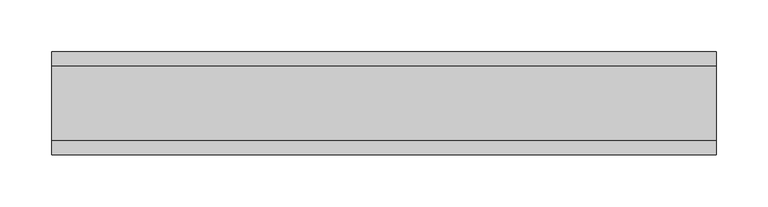
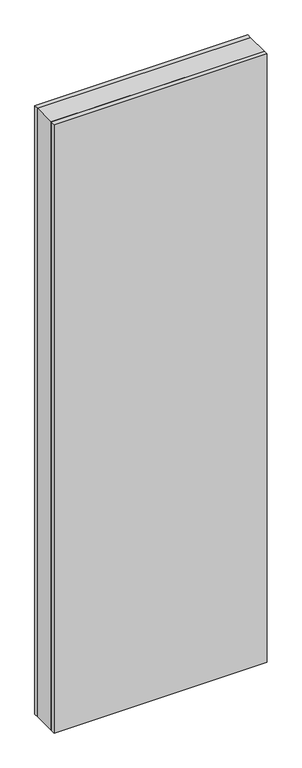
"""IFC4 building model written with IfcOpenShell, lengths in millimetres: plate geometry."""

import ifcopenshell
import ifcopenshell.guid

model = None  # the IFC model being written
_history = None  # IfcOwnerHistory: only IFC2X3 demands one
_inside = {}  # id of a spatial element -> (the spatial element, [elements in it])
_under = {}  # id of a project, library or spatial element -> (it, [spatial elements below it])
_declared = {}  # id of a project -> (the project, [libraries it declares])
_typed = {}  # id of a type object -> (the type object, [elements of that type])
_made_of = {}  # id of a material, layer set ... -> (it, [elements and type objects made of it])


def new_model(schema):
    """Start an empty IFC model of exactly this schema.

    Asked for "IFC4X3", IfcOpenShell would pick the latest addendum, in which some entities
    have other attributes; the version numbers below select the first issue.
    IFC2X3 requires an IfcOwnerHistory on every rooted entity: one is made here for all.
    """
    global model, _history
    if schema == "IFC4X3":
        model = ifcopenshell.file(schema_version=(4, 3, 0, 0))
    else:
        model = ifcopenshell.file(schema=schema)
    _inside.clear()
    _under.clear()
    _declared.clear()
    _typed.clear()
    _made_of.clear()
    _history = None
    if model.schema == "IFC2X3":
        org = make("IfcOrganization", Name="unknown")
        user = make(
            "IfcPersonAndOrganization",
            ThePerson=make("IfcPerson", FamilyName="unknown"),
            TheOrganization=org,
        )
        app = make(
            "IfcApplication",
            ApplicationDeveloper=org,
            Version="unknown",
            ApplicationFullName="unknown",
            ApplicationIdentifier="unknown",
        )
        _history = make(
            "IfcOwnerHistory",
            OwningUser=user,
            OwningApplication=app,
            ChangeAction="ADDED",
            CreationDate=0,
        )
    return model


def make(cls, **values):
    """One entity of the class cls with the attributes given. An attribute that is None is left unset."""
    return model.create_entity(
        cls, **{name: value for name, value in values.items() if value is not None}
    )


def rooted(cls, **values):
    """An entity with a GlobalId (a new one), such as an element, a storey or a relation."""
    return make(cls, GlobalId=ifcopenshell.guid.new(), OwnerHistory=_history, **values)


def si_unit(unit_type, name, prefix=None):
    """IfcSIUnit, for example si_unit("LENGTHUNIT", "METRE", prefix="MILLI")."""
    return make("IfcSIUnit", UnitType=unit_type, Prefix=prefix, Name=name)


def assignment(units):
    """IfcUnitAssignment: the units of a project."""
    return None if units is None else make("IfcUnitAssignment", Units=units)


def point(xyz):
    """IfcCartesianPoint."""
    return None if xyz is None else make("IfcCartesianPoint", Coordinates=xyz)


def direction(xyz):
    """IfcDirection."""
    return None if xyz is None else make("IfcDirection", DirectionRatios=xyz)


def frame(location, z_axis=None, x_axis=None):
    """IfcAxis2Placement3D, a coordinate frame: its origin and axes. An axis left out is left unset."""
    return make(
        "IfcAxis2Placement3D",
        Location=point(location),
        Axis=direction(z_axis),
        RefDirection=direction(x_axis),
    )


def origin():
    """The frame at (0, 0, 0) with its axes left unset."""
    return frame((0.0, 0.0, 0.0))


def origin_with_axes():
    """The frame at (0, 0, 0) with the z axis (0, 0, 1) and the x axis (1, 0, 0) written out."""
    return frame((0.0, 0.0, 0.0), z_axis=(0.0, 0.0, 1.0), x_axis=(1.0, 0.0, 0.0))


def place(relative_to, where):
    """IfcLocalPlacement: puts the frame where relative to a parent placement (None: the world)."""
    return make(
        "IfcLocalPlacement", PlacementRelTo=relative_to, RelativePlacement=where
    )


def context(
    kind, dimensions, precision=None, world=None, true_north=None, identifier=None
):
    """IfcGeometricRepresentationContext, for example the 3D "Model" context."""
    return make(
        "IfcGeometricRepresentationContext",
        ContextIdentifier=identifier,
        ContextType=kind,
        CoordinateSpaceDimension=dimensions,
        Precision=precision,
        WorldCoordinateSystem=world,
        TrueNorth=true_north,
    )


def project(units=None, contexts=None):
    """IfcProject with its units and contexts."""
    return rooted(
        "IfcProject",
        Name="project",
        RepresentationContexts=contexts,
        UnitsInContext=assignment(units),
    )


def spatial(cls, under=None, at=None, **own):
    """A site, building, storey or space (cls), placed at a placement, below another one or the project."""
    s = rooted(cls, ObjectPlacement=at, **own)
    if under is not None:
        _under.setdefault(under.id(), (under, []))[1].append(s)
    return s


def polyline(points):
    """IfcPolyline through the points."""
    return make("IfcPolyline", Points=[point(p) for p in points])


def outline(outer, holes=None, kind="AREA"):
    """IfcArbitraryClosedProfileDef: a profile drawn as a closed curve; with holes, ...WithVoids."""
    if holes is None:
        return make("IfcArbitraryClosedProfileDef", ProfileType=kind, OuterCurve=outer)
    return make(
        "IfcArbitraryProfileDefWithVoids",
        ProfileType=kind,
        OuterCurve=outer,
        InnerCurves=holes,
    )


def extrude(swept, where, along, depth):
    """IfcExtrudedAreaSolid: the profile swept, set in the frame where, extruded along a direction by depth."""
    return make(
        "IfcExtrudedAreaSolid",
        SweptArea=swept,
        Position=where,
        ExtrudedDirection=direction(along),
        Depth=depth,
    )


def shape(context_of_items, identifier, shape_type, items):
    """IfcShapeRepresentation: the items that make up one representation, for example the "Body"."""
    return make(
        "IfcShapeRepresentation",
        ContextOfItems=context_of_items,
        RepresentationIdentifier=identifier,
        RepresentationType=shape_type,
        Items=items,
    )


def source(mapping_origin, context_of_items, identifier, shape_type, items):
    """IfcRepresentationMap: a shape defined once, which mapped items show again and again."""
    return make(
        "IfcRepresentationMap",
        MappingOrigin=mapping_origin,
        MappedRepresentation=shape(context_of_items, identifier, shape_type, items),
    )


def transform(
    local_origin,
    x_axis=None,
    y_axis=None,
    z_axis=None,
    scale=None,
    scale2=None,
    scale3=None,
    uniform=True,
):
    """IfcCartesianTransformationOperator3D, or its non-uniform kind. x_axis, y_axis, z_axis: its Axis1, 2, 3."""
    if uniform:
        return make(
            "IfcCartesianTransformationOperator3D",
            Axis1=direction(x_axis),
            Axis2=direction(y_axis),
            LocalOrigin=point(local_origin),
            Scale=scale,
            Axis3=direction(z_axis),
        )
    return make(
        "IfcCartesianTransformationOperator3DnonUniform",
        Axis1=direction(x_axis),
        Axis2=direction(y_axis),
        LocalOrigin=point(local_origin),
        Scale=scale,
        Axis3=direction(z_axis),
        Scale2=scale2,
        Scale3=scale3,
    )


def mapped(mapping_source, mapping_target):
    """IfcMappedItem: shows the shape of a source again, moved by a transform."""
    return make(
        "IfcMappedItem", MappingSource=mapping_source, MappingTarget=mapping_target
    )


def made_of(thing, what):
    """Note that an element or type object is made of a material, layer set ...; save() writes the relation."""
    if what is not None:
        _made_of.setdefault(what.id(), (what, []))[1].append(thing)
    return thing


def element(
    cls,
    number,
    at=None,
    inside=None,
    cuts=None,
    type_object=None,
    material=None,
    context=None,
    identifier="Body",
    shape_type=None,
    held_by="IfcProductDefinitionShape",
    body=None,
    shapes=None,
    **own,
):
    """One element of the class cls, such as IfcWall. Its Tag is "e" and its number.

    at: its placement. inside: the storey or other place that contains it. cuts: it is an
    opening in that element (IfcRelVoidsElement). A single representation is given by context,
    identifier, shape_type and body (its items); several are given by shapes. held_by: the class
    of the entity that holds the representations. save() writes the other relations.
    """
    e = rooted(cls, Tag="e%d" % number, ObjectPlacement=at, **own)
    if body is not None:
        shapes = [shape(context, identifier, shape_type, body)]
    if shapes is not None:
        e.Representation = make(held_by, Representations=shapes)
    if inside is not None:
        _inside.setdefault(inside.id(), (inside, []))[1].append(e)
    if cuts is not None:
        rooted(
            "IfcRelVoidsElement", RelatingBuildingElement=cuts, RelatedOpeningElement=e
        )
    if type_object is not None:
        _typed.setdefault(type_object.id(), (type_object, []))[1].append(e)
    return made_of(e, material)


def aggregate(whole, parts):
    """IfcRelAggregates: a whole, such as a stair, and the parts it consists of."""
    return rooted("IfcRelAggregates", RelatingObject=whole, RelatedObjects=parts)


def save(model, path):
    """Write the relations noted so far, then the file.

    IfcRelAggregates (storeys below a building ...), IfcRelContainedInSpatialStructure (elements
    in a storey), IfcRelDefinesByType, IfcRelAssociatesMaterial and IfcRelDeclares: one each for
    every whole, place, type object, material and project.
    """
    for whole, parts in _under.values():
        aggregate(whole, parts)
    for where, things in _inside.values():
        rooted(
            "IfcRelContainedInSpatialStructure",
            RelatedElements=things,
            RelatingStructure=where,
        )
    for kind, things in _typed.values():
        rooted("IfcRelDefinesByType", RelatedObjects=things, RelatingType=kind)
    for what, things in _made_of.values():
        rooted("IfcRelAssociatesMaterial", RelatedObjects=things, RelatingMaterial=what)
    for by, libraries in _declared.values():
        rooted("IfcRelDeclares", RelatingContext=by, RelatedDefinitions=libraries)
    model.write(path)


def plate_7435053c(model_context):
    return source(origin(), model_context, "Body", "SweptSolid", [
        extrude(outline(polyline([(322.2424716, 36.0), (322.2424716, -36.0), (-322.2424716, -36.0), (-322.2424716, 36.0), (322.2424716, 36.0)])), origin_with_axes(), (0.0, 0.0, 1.0), 1943.6971514),
        extrude(outline(polyline([(322.2424716, 50.0), (322.2424716, 36.0), (-322.2424716, 36.0), (-322.2424716, 50.0), (322.2424716, 50.0)])), origin_with_axes(), (0.0, 0.0, 1.0), 1943.6971514),
        extrude(outline(polyline([(322.2424716, -36.0), (322.2424716, -50.0), (-322.2424716, -50.0), (-322.2424716, -36.0), (322.2424716, -36.0)])), origin_with_axes(), (0.0, 0.0, 1.0), 1943.6971514),
    ])


if __name__ == "__main__":
    model = new_model("IFC4")
    model_context = context("Model", 3, world=origin())
    ifc_project = project(units=[si_unit("LENGTHUNIT", "METRE", prefix="MILLI")], contexts=[model_context])
    site = spatial("IfcSite", under=ifc_project)
    building = spatial("IfcBuilding", under=site)
    placement = place(None, origin())
    plate_shape = plate_7435053c(model_context)
    element("IfcPlate", 1, at=placement, inside=building, context=model_context, shape_type="MappedRepresentation", body=[
        mapped(plate_shape, transform((0.0, 0.0, 0.0), x_axis=(1.0, 0.0, 0.0), y_axis=(0.0, 1.0, 0.0), z_axis=(0.0, 0.0, 1.0))),
    ])
    save(model, "model.ifc")
